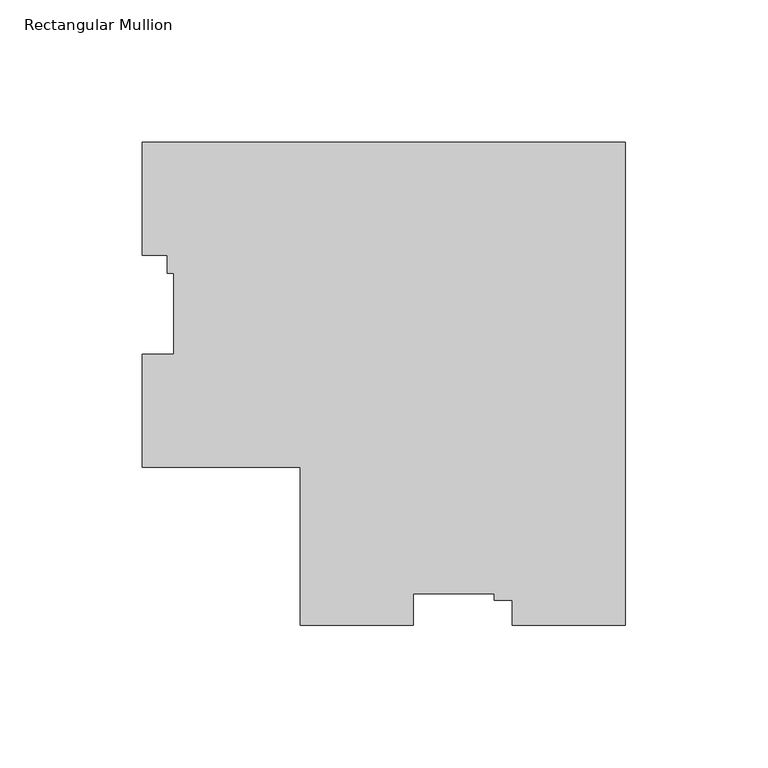
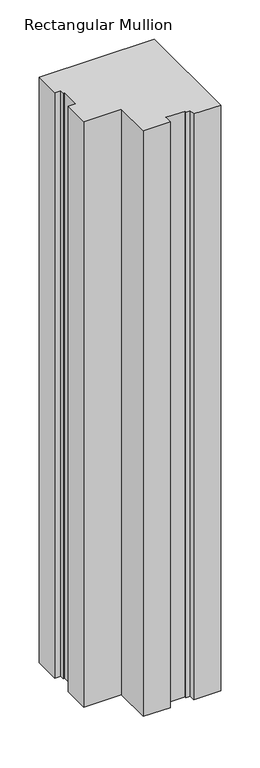
"""IFC4 building model written with IfcOpenShell, lengths in millimetres: member geometry, Rectangular Mullion."""

from ifc_helpers import new_model, si_unit, frame, origin, place, context, project, spatial, polyline, outline, extrude, source, transform, mapped, element, save


def rectangular_mullion_a023c42e(model_context):
    return source(origin(), model_context, "Body", "SweptSolid", [
        extrude(outline(polyline([(0.0, 114.271425), (0.0, -55.591075), (-39.6748, -55.591075), (-39.6748, -46.853475), (-46.0248, -46.853475), (-46.0248, -44.478575), (-74.6252, -44.478575), (-74.6252, -55.591075), (-114.3, -55.591075), (-114.3, -0.028575), (-169.8625, -0.028575), (-169.8625, 39.646225), (-158.75, 39.646225), (-158.75, 68.246625), (-161.1249, 68.246625), (-161.1249, 74.596625), (-169.8625, 74.596625), (-169.8625, 114.271425), (0.0, 114.271425)])), frame((0.0, 0.0, -914.4), z_axis=(0.0, 0.0, 1.0), x_axis=(1.0, 0.0, 0.0)), (0.0, 0.0, 1.0), 914.4),
    ])


if __name__ == "__main__":
    model = new_model("IFC4")
    model_context = context("Model", 3, world=origin())
    ifc_project = project(units=[si_unit("LENGTHUNIT", "METRE", prefix="MILLI")], contexts=[model_context])
    site = spatial("IfcSite", under=ifc_project)
    building = spatial("IfcBuilding", under=site)
    placement = place(None, origin())
    rectangular_mullion_shape = rectangular_mullion_a023c42e(model_context)
    element("IfcMember", 1, ObjectType="Rectangular Mullion", at=placement, inside=building, context=model_context, shape_type="MappedRepresentation", body=[
        mapped(rectangular_mullion_shape, transform((0.0, 0.0, 0.0), x_axis=(1.0, 0.0, 0.0), y_axis=(0.0, 1.0, 0.0), z_axis=(0.0, 0.0, 1.0))),
    ])
    save(model, "model.ifc")
